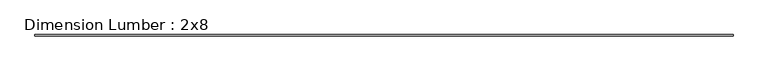
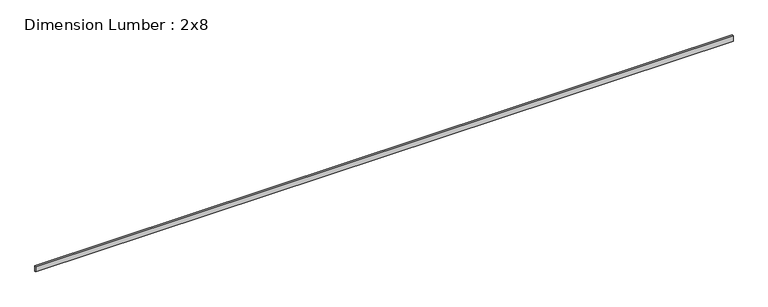
"""IFC4 building model written with IfcOpenShell, lengths in millimetres: beam geometry, Dimension Lumber : 2x8."""

from ifc_helpers import new_model, si_unit, frame, origin, place, context, project, spatial, polyline, outline, extrude, source, transform, mapped, element, save


def dimension_lumber_2x8_a484c808(model_context):
    return source(origin(), model_context, "Body", "SweptSolid", [
        extrude(outline(polyline([(11197.3099109, 19.05), (11197.3099109, -19.05), (-11197.3099109, -19.05), (-11197.3099109, 19.05), (11197.3099109, 19.05)])), frame((0.0, 0.0, -92.075), z_axis=(0.0, 0.0, 1.0), x_axis=(1.0, 0.0, 0.0)), (0.0, 0.0, 1.0), 184.15),
    ])


if __name__ == "__main__":
    model = new_model("IFC4")
    model_context = context("Model", 3, world=origin())
    ifc_project = project(units=[si_unit("LENGTHUNIT", "METRE", prefix="MILLI")], contexts=[model_context])
    site = spatial("IfcSite", under=ifc_project)
    building = spatial("IfcBuilding", under=site)
    placement = place(None, origin())
    dimension_lumber_2x8_shape = dimension_lumber_2x8_a484c808(model_context)
    element("IfcBeam", 1, ObjectType="Dimension Lumber : 2x8", at=placement, inside=building, context=model_context, shape_type="MappedRepresentation", body=[
        mapped(dimension_lumber_2x8_shape, transform((0.0, 0.0, 0.0), x_axis=(1.0, 0.0, 0.0), y_axis=(0.0, 1.0, 0.0), z_axis=(0.0, 0.0, 1.0))),
    ])
    save(model, "model.ifc")
